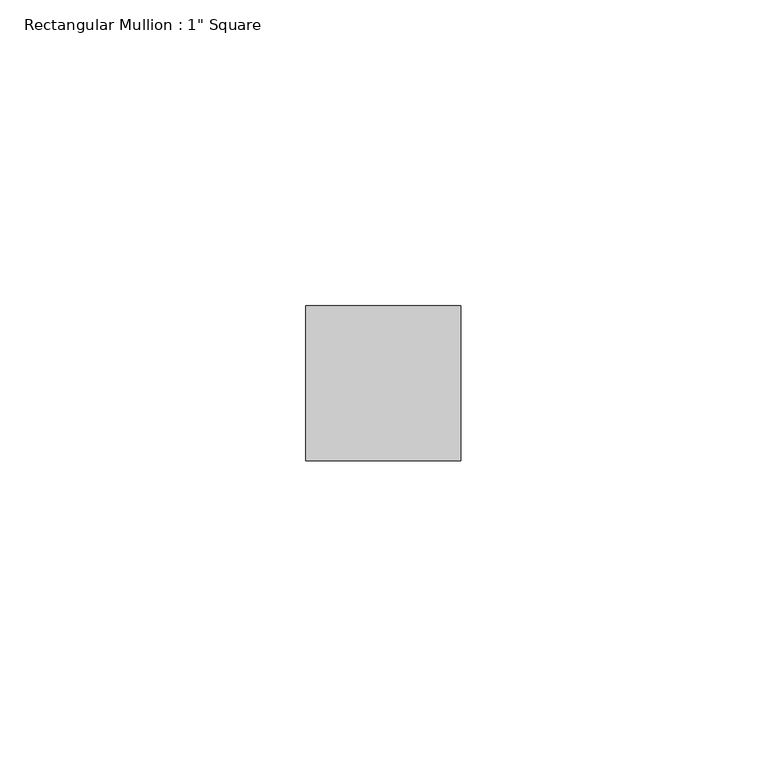
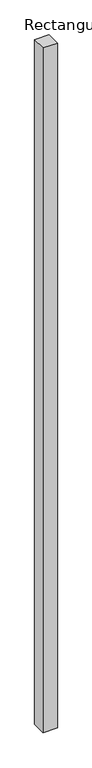
"""IFC4 building model written with IfcOpenShell, lengths in millimetres: member geometry."""

from ifc_helpers import new_model, si_unit, frame, origin, place, context, project, spatial, polyline, outline, extrude, source, transform, mapped, element, save


def member_a6f2a030(model_context):
    return source(origin(), model_context, "Body", "SweptSolid", [
        extrude(outline(polyline([(12.7, 12.7), (12.7, -12.7), (-12.7, -12.7), (-12.7, 12.7), (12.7, 12.7)])), frame((0.0, 0.0, -1282.7), z_axis=(0.0, 0.0, 1.0), x_axis=(1.0, 0.0, 0.0)), (0.0, 0.0, 1.0), 1282.7),
    ])


if __name__ == "__main__":
    model = new_model("IFC4")
    model_context = context("Model", 3, world=origin())
    ifc_project = project(units=[si_unit("LENGTHUNIT", "METRE", prefix="MILLI")], contexts=[model_context])
    site = spatial("IfcSite", under=ifc_project)
    building = spatial("IfcBuilding", under=site)
    placement = place(None, origin())
    member_shape = member_a6f2a030(model_context)
    element("IfcMember", 1, ObjectType="Rectangular Mullion : 1\" Square", at=placement, inside=building, context=model_context, shape_type="MappedRepresentation", body=[
        mapped(member_shape, transform((0.0, 0.0, 0.0), x_axis=(1.0, 0.0, 0.0), y_axis=(0.0, 1.0, 0.0), z_axis=(0.0, 0.0, 1.0))),
    ])
    save(model, "model.ifc")
